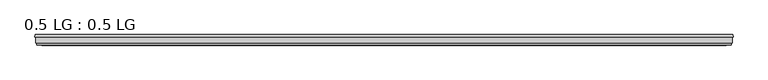
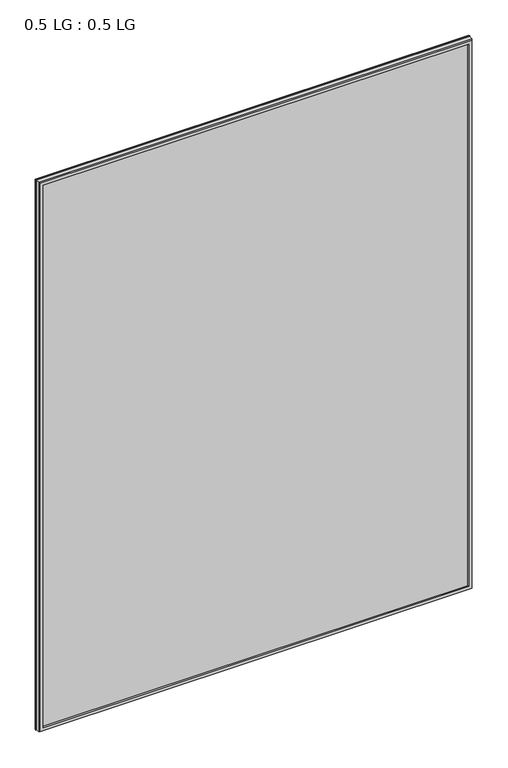
"""IFC4 building model written with IfcOpenShell, lengths in millimetres: plate geometry, 0.5 LG : 0.5 LG."""

from ifc_helpers import new_model, si_unit, origin, origin_with_axes, place, context, project, spatial, polyline, outline, extrude, faceted_brep, source, transform, mapped, element, save


def plate_0_5_lg_0_5_lg_e83a80fc(model_context):
    return source(origin(), model_context, "Body", "SolidModel", [
        faceted_brep([(-751.2754633, 33.6565875, 2009.4145659), (-750.0871801, 38.3301948, 2008.2262827), (-750.0871801, 38.3301948, -0.7871801), (-751.2754633, 33.6565875, -1.9754633), (-738.9623956, 38.3301948, 1997.1014982), (-737.7742356, 33.6565875, 1995.9133382), (-737.7742356, 33.6565875, 11.5257644), (-738.9623956, 38.3301948, 10.3376044), (750.0871801, 38.3301948, -0.7871801), (751.2754633, 33.6565875, -1.9754633), (737.7742356, 33.6565875, 11.5257644), (738.9623956, 38.3301948, 10.3376044), (750.0871801, 38.3301948, 2008.2262827), (751.2754633, 33.6565875, 2009.4145659), (737.7742356, 33.6565875, 1995.9133382), (738.9623956, 38.3301948, 1997.1014982)], [[[0, 1, 2, 3]], [[4, 5, 6, 7]], [[3, 2, 8, 9]], [[7, 6, 10, 11]], [[9, 8, 12, 13]], [[11, 10, 14, 15]], [[1, 12, 8, 2], [7, 11, 15, 4]], [[13, 12, 1, 0]], [[3, 9, 13, 0], [5, 14, 10, 6]], [[15, 14, 5, 4]]]),
        faceted_brep([(-735.1786419, 20.0421875, 1993.3177445), (-736.2441159, 15.8512075, 1994.3832185), (-736.2441159, 15.8512075, 13.0558841), (-735.1786419, 20.0421875, 14.1213581), (-747.3695018, 15.8512075, 2005.5086044), (-748.4347832, 20.0421875, 2006.5738858), (-748.4347832, 20.0421875, 0.8652168), (-747.3695018, 15.8512075, 1.9304982), (736.2441159, 15.8512075, 13.0558841), (735.1786419, 20.0421875, 14.1213581), (748.4347832, 20.0421875, 0.8652168), (747.3695018, 15.8512075, 1.9304982), (736.2441159, 15.8512075, 1994.3832185), (735.1786419, 20.0421875, 1993.3177445), (748.4347832, 20.0421875, 2006.5738858), (747.3695018, 15.8512075, 2005.5086044)], [[[0, 1, 2, 3]], [[4, 5, 6, 7]], [[3, 2, 8, 9]], [[7, 6, 10, 11]], [[9, 8, 12, 13]], [[11, 10, 14, 15]], [[13, 12, 1, 0]], [[5, 14, 10, 6], [3, 9, 13, 0]], [[15, 14, 5, 4]], [[7, 11, 15, 4], [1, 12, 8, 2]]]),
        extrude(outline(polyline([(749.3, 33.6565875), (749.3, 20.0421875), (-749.3, 20.0421875), (-749.3, 33.6565875), (749.3, 33.6565875)])), origin_with_axes(), (0.0, 0.0, 1.0), 2007.4391026),
    ])


if __name__ == "__main__":
    model = new_model("IFC4")
    model_context = context("Model", 3, world=origin())
    ifc_project = project(units=[si_unit("LENGTHUNIT", "METRE", prefix="MILLI")], contexts=[model_context])
    site = spatial("IfcSite", under=ifc_project)
    building = spatial("IfcBuilding", under=site)
    placement = place(None, origin())
    plate_0_5_lg_0_5_lg_shape = plate_0_5_lg_0_5_lg_e83a80fc(model_context)
    element("IfcPlate", 1, ObjectType="0.5 LG : 0.5 LG", at=placement, inside=building, context=model_context, shape_type="MappedRepresentation", body=[
        mapped(plate_0_5_lg_0_5_lg_shape, transform((0.0, 0.0, 0.0), x_axis=(1.0, 0.0, 0.0), y_axis=(0.0, 1.0, 0.0), z_axis=(0.0, 0.0, 1.0))),
    ])
    save(model, "model.ifc")
